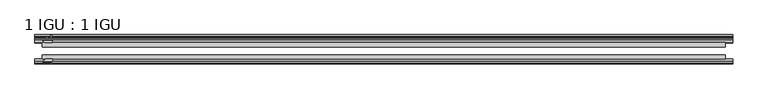
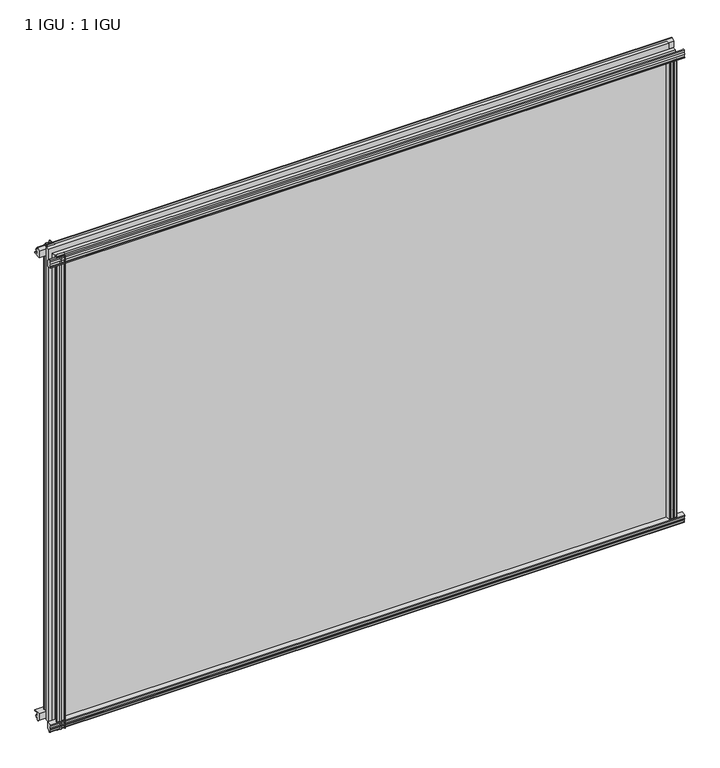
"""IFC4 building model written with IfcOpenShell, lengths in millimetres: plate geometry, 1 IGU : 1 IGU."""

import ifcopenshell
import ifcopenshell.guid

model = None  # the IFC model being written
_history = None  # IfcOwnerHistory: only IFC2X3 demands one
_inside = {}  # id of a spatial element -> (the spatial element, [elements in it])
_under = {}  # id of a project, library or spatial element -> (it, [spatial elements below it])
_declared = {}  # id of a project -> (the project, [libraries it declares])
_typed = {}  # id of a type object -> (the type object, [elements of that type])
_made_of = {}  # id of a material, layer set ... -> (it, [elements and type objects made of it])


def new_model(schema):
    """Start an empty IFC model of exactly this schema.

    Asked for "IFC4X3", IfcOpenShell would pick the latest addendum, in which some entities
    have other attributes; the version numbers below select the first issue.
    IFC2X3 requires an IfcOwnerHistory on every rooted entity: one is made here for all.
    """
    global model, _history
    if schema == "IFC4X3":
        model = ifcopenshell.file(schema_version=(4, 3, 0, 0))
    else:
        model = ifcopenshell.file(schema=schema)
    _inside.clear()
    _under.clear()
    _declared.clear()
    _typed.clear()
    _made_of.clear()
    _history = None
    if model.schema == "IFC2X3":
        org = make("IfcOrganization", Name="unknown")
        user = make(
            "IfcPersonAndOrganization",
            ThePerson=make("IfcPerson", FamilyName="unknown"),
            TheOrganization=org,
        )
        app = make(
            "IfcApplication",
            ApplicationDeveloper=org,
            Version="unknown",
            ApplicationFullName="unknown",
            ApplicationIdentifier="unknown",
        )
        _history = make(
            "IfcOwnerHistory",
            OwningUser=user,
            OwningApplication=app,
            ChangeAction="ADDED",
            CreationDate=0,
        )
    return model


def make(cls, **values):
    """One entity of the class cls with the attributes given. An attribute that is None is left unset."""
    return model.create_entity(
        cls, **{name: value for name, value in values.items() if value is not None}
    )


def rooted(cls, **values):
    """An entity with a GlobalId (a new one), such as an element, a storey or a relation."""
    return make(cls, GlobalId=ifcopenshell.guid.new(), OwnerHistory=_history, **values)


def si_unit(unit_type, name, prefix=None):
    """IfcSIUnit, for example si_unit("LENGTHUNIT", "METRE", prefix="MILLI")."""
    return make("IfcSIUnit", UnitType=unit_type, Prefix=prefix, Name=name)


def assignment(units):
    """IfcUnitAssignment: the units of a project."""
    return None if units is None else make("IfcUnitAssignment", Units=units)


def point(xyz):
    """IfcCartesianPoint."""
    return None if xyz is None else make("IfcCartesianPoint", Coordinates=xyz)


def direction(xyz):
    """IfcDirection."""
    return None if xyz is None else make("IfcDirection", DirectionRatios=xyz)


def frame(location, z_axis=None, x_axis=None):
    """IfcAxis2Placement3D, a coordinate frame: its origin and axes. An axis left out is left unset."""
    return make(
        "IfcAxis2Placement3D",
        Location=point(location),
        Axis=direction(z_axis),
        RefDirection=direction(x_axis),
    )


def frame_2d(location, x_axis=None):
    """IfcAxis2Placement2D, a coordinate frame in the plane: its origin and x axis."""
    return make(
        "IfcAxis2Placement2D", Location=point(location), RefDirection=direction(x_axis)
    )


def origin():
    """The frame at (0, 0, 0) with its axes left unset."""
    return frame((0.0, 0.0, 0.0))


def origin_with_axes():
    """The frame at (0, 0, 0) with the z axis (0, 0, 1) and the x axis (1, 0, 0) written out."""
    return frame((0.0, 0.0, 0.0), z_axis=(0.0, 0.0, 1.0), x_axis=(1.0, 0.0, 0.0))


def place(relative_to, where):
    """IfcLocalPlacement: puts the frame where relative to a parent placement (None: the world)."""
    return make(
        "IfcLocalPlacement", PlacementRelTo=relative_to, RelativePlacement=where
    )


def context(
    kind, dimensions, precision=None, world=None, true_north=None, identifier=None
):
    """IfcGeometricRepresentationContext, for example the 3D "Model" context."""
    return make(
        "IfcGeometricRepresentationContext",
        ContextIdentifier=identifier,
        ContextType=kind,
        CoordinateSpaceDimension=dimensions,
        Precision=precision,
        WorldCoordinateSystem=world,
        TrueNorth=true_north,
    )


def project(units=None, contexts=None):
    """IfcProject with its units and contexts."""
    return rooted(
        "IfcProject",
        Name="project",
        RepresentationContexts=contexts,
        UnitsInContext=assignment(units),
    )


def spatial(cls, under=None, at=None, **own):
    """A site, building, storey or space (cls), placed at a placement, below another one or the project."""
    s = rooted(cls, ObjectPlacement=at, **own)
    if under is not None:
        _under.setdefault(under.id(), (under, []))[1].append(s)
    return s


def polyline(points):
    """IfcPolyline through the points."""
    return make("IfcPolyline", Points=[point(p) for p in points])


def circle_curve(where, radius):
    """IfcCircle in the frame where."""
    return make("IfcCircle", Position=where, Radius=radius)


def trimmed(basis, trim1, trim2, sense, master):
    """IfcTrimmedCurve: the piece of a basis curve between two trims."""
    return make(
        "IfcTrimmedCurve",
        BasisCurve=basis,
        Trim1=trim1,
        Trim2=trim2,
        SenseAgreement=sense,
        MasterRepresentation=master,
    )


def segment(curve, same_sense, transition):
    """IfcCompositeCurveSegment."""
    return make(
        "IfcCompositeCurveSegment",
        Transition=transition,
        SameSense=same_sense,
        ParentCurve=curve,
    )


def composite_curve(segments, self_intersect=None):
    """IfcCompositeCurve: segments joined end to end."""
    return make("IfcCompositeCurve", Segments=segments, SelfIntersect=self_intersect)


def outline(outer, holes=None, kind="AREA"):
    """IfcArbitraryClosedProfileDef: a profile drawn as a closed curve; with holes, ...WithVoids."""
    if holes is None:
        return make("IfcArbitraryClosedProfileDef", ProfileType=kind, OuterCurve=outer)
    return make(
        "IfcArbitraryProfileDefWithVoids",
        ProfileType=kind,
        OuterCurve=outer,
        InnerCurves=holes,
    )


def extrude(swept, where, along, depth):
    """IfcExtrudedAreaSolid: the profile swept, set in the frame where, extruded along a direction by depth."""
    return make(
        "IfcExtrudedAreaSolid",
        SweptArea=swept,
        Position=where,
        ExtrudedDirection=direction(along),
        Depth=depth,
    )


def shape(context_of_items, identifier, shape_type, items):
    """IfcShapeRepresentation: the items that make up one representation, for example the "Body"."""
    return make(
        "IfcShapeRepresentation",
        ContextOfItems=context_of_items,
        RepresentationIdentifier=identifier,
        RepresentationType=shape_type,
        Items=items,
    )


def source(mapping_origin, context_of_items, identifier, shape_type, items):
    """IfcRepresentationMap: a shape defined once, which mapped items show again and again."""
    return make(
        "IfcRepresentationMap",
        MappingOrigin=mapping_origin,
        MappedRepresentation=shape(context_of_items, identifier, shape_type, items),
    )


def transform(
    local_origin,
    x_axis=None,
    y_axis=None,
    z_axis=None,
    scale=None,
    scale2=None,
    scale3=None,
    uniform=True,
):
    """IfcCartesianTransformationOperator3D, or its non-uniform kind. x_axis, y_axis, z_axis: its Axis1, 2, 3."""
    if uniform:
        return make(
            "IfcCartesianTransformationOperator3D",
            Axis1=direction(x_axis),
            Axis2=direction(y_axis),
            LocalOrigin=point(local_origin),
            Scale=scale,
            Axis3=direction(z_axis),
        )
    return make(
        "IfcCartesianTransformationOperator3DnonUniform",
        Axis1=direction(x_axis),
        Axis2=direction(y_axis),
        LocalOrigin=point(local_origin),
        Scale=scale,
        Axis3=direction(z_axis),
        Scale2=scale2,
        Scale3=scale3,
    )


def mapped(mapping_source, mapping_target):
    """IfcMappedItem: shows the shape of a source again, moved by a transform."""
    return make(
        "IfcMappedItem", MappingSource=mapping_source, MappingTarget=mapping_target
    )


def made_of(thing, what):
    """Note that an element or type object is made of a material, layer set ...; save() writes the relation."""
    if what is not None:
        _made_of.setdefault(what.id(), (what, []))[1].append(thing)
    return thing


def element(
    cls,
    number,
    at=None,
    inside=None,
    cuts=None,
    type_object=None,
    material=None,
    context=None,
    identifier="Body",
    shape_type=None,
    held_by="IfcProductDefinitionShape",
    body=None,
    shapes=None,
    **own,
):
    """One element of the class cls, such as IfcWall. Its Tag is "e" and its number.

    at: its placement. inside: the storey or other place that contains it. cuts: it is an
    opening in that element (IfcRelVoidsElement). A single representation is given by context,
    identifier, shape_type and body (its items); several are given by shapes. held_by: the class
    of the entity that holds the representations. save() writes the other relations.
    """
    e = rooted(cls, Tag="e%d" % number, ObjectPlacement=at, **own)
    if body is not None:
        shapes = [shape(context, identifier, shape_type, body)]
    if shapes is not None:
        e.Representation = make(held_by, Representations=shapes)
    if inside is not None:
        _inside.setdefault(inside.id(), (inside, []))[1].append(e)
    if cuts is not None:
        rooted(
            "IfcRelVoidsElement", RelatingBuildingElement=cuts, RelatedOpeningElement=e
        )
    if type_object is not None:
        _typed.setdefault(type_object.id(), (type_object, []))[1].append(e)
    return made_of(e, material)


def aggregate(whole, parts):
    """IfcRelAggregates: a whole, such as a stair, and the parts it consists of."""
    return rooted("IfcRelAggregates", RelatingObject=whole, RelatedObjects=parts)


def save(model, path):
    """Write the relations noted so far, then the file.

    IfcRelAggregates (storeys below a building ...), IfcRelContainedInSpatialStructure (elements
    in a storey), IfcRelDefinesByType, IfcRelAssociatesMaterial and IfcRelDeclares: one each for
    every whole, place, type object, material and project.
    """
    for whole, parts in _under.values():
        aggregate(whole, parts)
    for where, things in _inside.values():
        rooted(
            "IfcRelContainedInSpatialStructure",
            RelatedElements=things,
            RelatingStructure=where,
        )
    for kind, things in _typed.values():
        rooted("IfcRelDefinesByType", RelatedObjects=things, RelatingType=kind)
    for what, things in _made_of.values():
        rooted("IfcRelAssociatesMaterial", RelatedObjects=things, RelatingMaterial=what)
    for by, libraries in _declared.values():
        rooted("IfcRelDeclares", RelatingContext=by, RelatedDefinitions=libraries)
    model.write(path)


def plate_1_igu_1_igu_2349bcee(model_context):
    return source(origin(), model_context, "Body", "SweptSolid", [
        extrude(outline(polyline([(-24.9039062, 2.5763839), (-12.2039062, 1.5739665), (-12.2039062, 0.0), (-18.5539062, 0.0), (-18.5539062, -4.953), (-16.254502, -5.5691235), (-16.6301757, -4.1670901), (-15.7714677, -3.937), (-15.1249062, -6.35), (-15.7714677, -8.763), (-16.6301757, -8.5329099), (-16.254502, -7.1308765), (-18.5539062, -7.747), (-18.5539062, -12.7), (-20.5859062, -12.7), (-24.9039062, -9.1036931), (-24.9039062, 2.5763839)])), frame((-547.3345182, 0.0, 0.0), z_axis=(1.0, 0.0, 0.0), x_axis=(0.0, 1.0, 0.0)), (0.0, 0.0, 1.0), 1096.3557551),
        extrude(outline(composite_curve([segment(polyline([(-58.2287402, 1.5687054), (-50.3039062, 3.0983599), (-50.3039062, -7.92383), (-54.4858806, -12.1058044)]), True, "CONTINUOUS"), segment(trimmed(circle_curve(frame_2d((-55.3839062, -11.2077788)), 1.27), [point((-54.4858806, -12.1058044))], [point((-56.6539062, -11.2077788))], False, "CARTESIAN"), True, "CONTINUOUS"), segment(polyline([(-56.6539062, -11.2077788), (-56.6539062, -8.0327788), (-58.1332022, -5.4488186), (-56.6539062, -5.1879788), (-56.6539062, 0.2222212), (-58.2287402, 0.0), (-58.2287402, 1.5687054)]), True, "CONTINUOUS")], self_intersect=False)), frame((-547.3345182, 0.0, 0.0), z_axis=(1.0, 0.0, 0.0), x_axis=(0.0, 1.0, 0.0)), (0.0, 0.0, 1.0), 1096.3557551),
        extrude(outline(polyline([(-18.5539063, 845.956525), (-16.254502, 845.3404015), (-16.6301757, 846.7424349), (-15.7714677, 846.972525), (-15.1249063, 844.559525), (-15.7714677, 842.146525), (-16.6301757, 842.3766151), (-16.254502, 843.7786485), (-18.5539063, 843.162525), (-18.5539063, 838.209525), (-12.2039062, 838.209525), (-12.2039062, 836.6355585), (-24.9039063, 835.6331411), (-24.9039063, 847.3132181), (-20.5859063, 850.909525), (-18.5539063, 850.909525), (-18.5539063, 845.956525)])), frame((-547.3345182, 0.0, 0.0), z_axis=(1.0, 0.0, 0.0), x_axis=(0.0, 1.0, 0.0)), (0.0, 0.0, 1.0), 1096.3557551),
        extrude(outline(composite_curve([segment(polyline([(-50.3039063, 846.133355), (-50.3039063, 835.1111651), (-58.2287402, 836.6408196), (-58.2287402, 838.209525), (-56.6539063, 837.9873038), (-56.6539063, 843.3975038), (-58.1332023, 843.6583436), (-56.6539063, 846.2423038), (-56.6539063, 849.4173038)]), True, "CONTINUOUS"), segment(trimmed(circle_curve(frame_2d((-55.3839063, 849.4173038)), 1.27), [point((-56.6539063, 849.4173038))], [point((-54.4858806, 850.3153294))], False, "CARTESIAN"), True, "CONTINUOUS"), segment(polyline([(-54.4858806, 850.3153294), (-50.3039063, 846.133355)]), True, "CONTINUOUS")], self_intersect=False)), frame((-547.3345182, 0.0, 0.0), z_axis=(1.0, 0.0, 0.0), x_axis=(0.0, 1.0, 0.0)), (0.0, 0.0, 1.0), 1096.3557551),
        extrude(outline(composite_curve([segment(polyline([(522.7283929, -57.3876965), (521.361077, -50.3039063), (532.3832669, -50.3039063), (536.5652413, -54.4858806)]), True, "CONTINUOUS"), segment(trimmed(circle_curve(frame_2d((535.6672157, -55.3839063)), 1.27), [point((536.5652413, -54.4858806))], [point((535.6672157, -56.6539063))], False, "CARTESIAN"), True, "CONTINUOUS"), segment(polyline([(535.6672157, -56.6539063), (532.4922157, -56.6539063), (529.9082555, -58.1332023), (529.6474157, -56.6539063), (524.2372157, -56.6539063), (524.4594369, -58.2287402), (523.4951162, -58.2014026)]), True, "CONTINUOUS"), segment(trimmed(circle_curve(frame_2d((523.7292157, -57.2127402)), 1.016), [point((523.4951162, -58.2014026))], [point((522.7283929, -57.3876965))], False, "CARTESIAN"), True, "CONTINUOUS")], self_intersect=False)), origin_with_axes(), (0.0, 0.0, 1.0), 838.6064),
        extrude(outline(polyline([(529.4124369, -18.5539063), (530.0285604, -16.254502), (528.6265271, -16.6301757), (528.3964369, -15.7714677), (530.8094369, -15.1249063), (533.2224369, -15.7714677), (532.9923468, -16.6301757), (531.5903134, -16.254502), (532.2064369, -18.5539063), (537.1594369, -18.5539063), (537.1594369, -20.5859063), (533.56313, -24.9039063), (521.883053, -24.9039063), (522.8854704, -12.2039063), (524.4594369, -12.2039063), (524.4594369, -18.5539063), (529.4124369, -18.5539063)])), origin_with_axes(), (0.0, 0.0, 1.0), 838.6064),
        extrude(outline(composite_curve([segment(polyline([(-530.805497, -56.6539062), (-533.980497, -56.6539062)]), True, "CONTINUOUS"), segment(trimmed(circle_curve(frame_2d((-533.980497, -55.3839062)), 1.27), [point((-533.980497, -56.6539062))], [point((-534.8785226, -54.4858806))], False, "CARTESIAN"), True, "CONTINUOUS"), segment(polyline([(-534.8785226, -54.4858806), (-530.6965482, -50.3039062), (-527.0270027, -50.3039062)]), True, "CONTINUOUS"), segment(trimmed(circle_curve(frame_2d((-524.963497, -46.3669062)), 4.445), [point((-527.0270027, -50.3039062))], [point((-522.8999912, -50.3039062))], True, "CARTESIAN"), True, "CONTINUOUS"), segment(polyline([(-522.8999912, -50.3039062), (-519.6743583, -50.3039062), (-521.2040127, -58.2287402), (-522.7727182, -58.2287402), (-522.550497, -56.6539062), (-527.960697, -56.6539062), (-528.2215368, -58.1332022), (-530.805497, -56.6539062)]), True, "CONTINUOUS")], self_intersect=False)), frame((0.0, 0.0, -12.7), z_axis=(0.0, 0.0, 1.0), x_axis=(1.0, 0.0, 0.0)), (0.0, 0.0, 1.0), 863.609525),
        extrude(outline(polyline([(-520.1963343, -24.9039062), (-531.8764113, -24.9039062), (-535.4727182, -20.5859062), (-535.4727182, -18.5539062), (-530.5197182, -18.5539062), (-529.9035947, -16.254502), (-531.305628, -16.6301757), (-531.5357182, -15.7714677), (-529.1227182, -15.1249062), (-526.7097182, -15.7714677), (-526.9398083, -16.6301757), (-528.3418417, -16.254502), (-527.7257182, -18.5539062), (-522.7727182, -18.5539062), (-522.7727182, -12.2039062), (-521.1987516, -12.2039062), (-520.1963343, -24.9039062)])), frame((0.0, 0.0, -12.7), z_axis=(0.0, 0.0, 1.0), x_axis=(1.0, 0.0, 0.0)), (0.0, 0.0, 1.0), 863.609525),
        extrude(outline(polyline([(537.1594369, -24.9039062), (537.1594369, -31.2031063), (-535.4727182, -31.2031063), (-535.4727182, -24.9039062), (537.1594369, -24.9039062)])), frame((0.0, 0.0, -12.7), z_axis=(0.0, 0.0, 1.0), x_axis=(1.0, 0.0, 0.0)), (0.0, 0.0, 1.0), 863.609525),
        extrude(outline(polyline([(-535.4727182, -44.0047063), (537.1594369, -44.0047063), (537.1594369, -50.3039062), (-535.4727182, -50.3039062), (-535.4727182, -44.0047063)])), frame((0.0, 0.0, -12.7), z_axis=(0.0, 0.0, 1.0), x_axis=(1.0, 0.0, 0.0)), (0.0, 0.0, 1.0), 863.609525),
    ])


if __name__ == "__main__":
    model = new_model("IFC4")
    model_context = context("Model", 3, world=origin())
    ifc_project = project(units=[si_unit("LENGTHUNIT", "METRE", prefix="MILLI")], contexts=[model_context])
    site = spatial("IfcSite", under=ifc_project)
    building = spatial("IfcBuilding", under=site)
    placement = place(None, origin())
    plate_1_igu_1_igu_shape = plate_1_igu_1_igu_2349bcee(model_context)
    element("IfcPlate", 1, ObjectType="1 IGU : 1 IGU", at=placement, inside=building, context=model_context, shape_type="MappedRepresentation", body=[
        mapped(plate_1_igu_1_igu_shape, transform((0.0, 0.0, 0.0), x_axis=(1.0, 0.0, 0.0), y_axis=(0.0, 1.0, 0.0), z_axis=(0.0, 0.0, 1.0))),
    ])
    save(model, "model.ifc")
